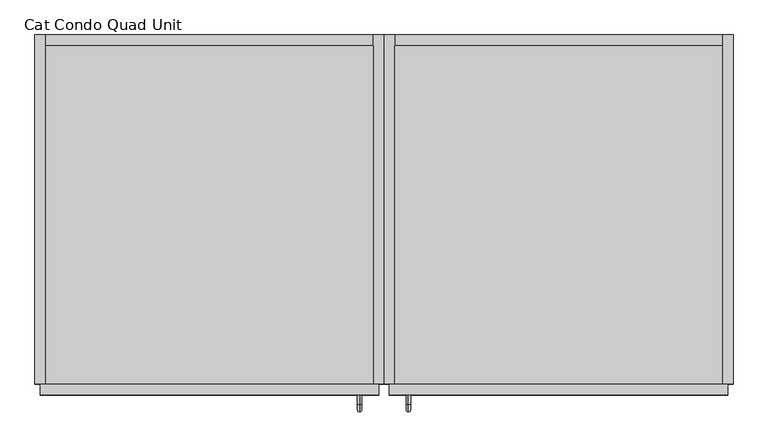
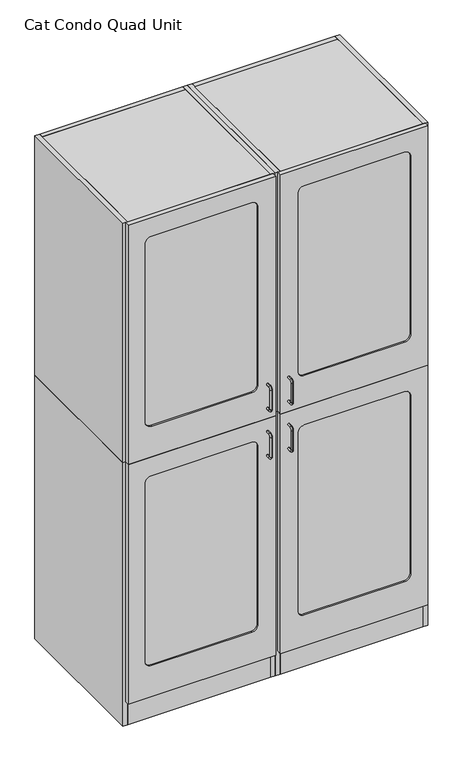
"""IFC4 building model written with IfcOpenShell, lengths in millimetres: proxy geometry, Cat Condo Quad Unit."""

from ifc_helpers import new_model, si_unit, point, frame, frame_2d, origin, origin_with_axes, place, context, project, spatial, polyline, circle_curve, ellipse_curve, trimmed, segment, composite_curve, outline, extrude, source, transform, mapped, element, save
from ifc_brep_helpers import plane_surface, cylinder_surface, revolved_surface, advanced_brep


def cat_condo_quad_unit_e11145c8(model_context):
    return source(origin(), model_context, "Body", "SolidModel", [
        advanced_brep(
        [(652.0871577, -19.05, 1056.5243154), (652.0871577, -19.05, 1064.3756846), (652.0871577, -35.2117768, 1056.5243154), (652.0871577, -35.2117768, 1064.3756846), (652.0871577, -35.2117768, 962.7756846), (652.0871577, -19.05, 962.7756846), (652.0871577, -19.05, 954.9243154), (652.0871577, -35.2117768, 954.9243154), (652.0871577, -48.3756846, 1051.2117768), (652.0871577, -40.5243154, 1051.2117768), (652.0871577, -48.3756846, 968.0882232), (652.0871577, -40.5243154, 968.0882232)],
        [
            (0, 1, circle_curve(frame((652.0871577, -19.05, 1060.45), z_axis=(0.0, 1.0, 0.0), x_axis=(0.0, 0.0, 1.0)), 3.9256846)),
            (1, 0, circle_curve(frame((652.0871577, -19.05, 1060.45), z_axis=(0.0, 1.0, 0.0), x_axis=(0.0, 0.0, 1.0)), 3.9256846)),
            (0, 2),
            (2, 3, circle_curve(frame((652.0871577, -35.2117768, 1060.45), z_axis=(0.0, 1.0, 0.0), x_axis=(0.0, 0.0, 1.0)), 3.9256846)),
            (3, 1),
            (4, 5),
            (5, 6, circle_curve(frame((652.0871577, -19.05, 958.85), z_axis=(0.0, -1.0, 0.0), x_axis=(0.0, 0.0, -1.0)), 3.9256846)),
            (6, 7),
            (7, 4, circle_curve(frame((652.0871577, -35.2117768, 958.85), z_axis=(0.0, 1.0, 0.0), x_axis=(0.0, 0.0, -1.0)), 3.9256846)),
            (3, 2, circle_curve(frame((652.0871577, -35.2117768, 1060.45), z_axis=(0.0, 1.0, 0.0), x_axis=(0.0, 0.0, 1.0)), 3.9256846)),
            (8, 9, circle_curve(frame((652.0871577, -44.45, 1051.2117768), z_axis=(0.0, 0.0, 1.0), x_axis=(0.0, -1.0, 0.0)), 3.9256846)),
            (9, 2, circle_curve(frame((652.0871577, -35.2117768, 1051.2117768), z_axis=(-1.0, 0.0, 0.0), x_axis=(0.0, 0.0, 1.0)), 5.3125387)),
            (3, 8, circle_curve(frame((652.0871577, -35.2117768, 1051.2117768), z_axis=(1.0, 0.0, 0.0), x_axis=(0.0, 0.0, 1.0)), 13.1639078)),
            (9, 8, circle_curve(frame((652.0871577, -44.45, 1051.2117768), z_axis=(0.0, 0.0, 1.0), x_axis=(0.0, -1.0, 0.0)), 3.9256846)),
            (8, 10),
            (10, 11, circle_curve(frame((652.0871577, -44.45, 968.0882232), z_axis=(0.0, 0.0, 1.0), x_axis=(0.0, -1.0, 0.0)), 3.9256846)),
            (11, 9),
            (11, 10, circle_curve(frame((652.0871577, -44.45, 968.0882232), z_axis=(0.0, 0.0, 1.0), x_axis=(0.0, -1.0, 0.0)), 3.9256846)),
            (7, 4, circle_curve(frame((652.0871577, -35.2117768, 958.85), z_axis=(0.0, -1.0, 0.0), x_axis=(0.0, 0.0, -1.0)), 3.9256846)),
            (4, 11, circle_curve(frame((652.0871577, -35.2117768, 968.0882232), z_axis=(-1.0, 0.0, 0.0), x_axis=(0.0, -1.0, 0.0)), 5.3125387)),
            (10, 7, circle_curve(frame((652.0871577, -35.2117768, 968.0882232), z_axis=(1.0, 0.0, 0.0), x_axis=(0.0, -1.0, 0.0)), 13.1639078)),
            (5, 6, circle_curve(frame((652.0871577, -19.05, 958.85), z_axis=(0.0, 1.0, 0.0), x_axis=(0.0, 0.0, -1.0)), 3.9256846)),
        ],
        [
            plane_surface(frame((652.0871577, -19.05, 1060.45), z_axis=(0.0, 1.0, 0.0), x_axis=(-1.0, 0.0, 0.0))),
            cylinder_surface(frame((652.0871577, -19.05, 1060.45), z_axis=(0.0, 1.0, 0.0), x_axis=(0.0, 0.0, 1.0)), 3.9256846),
            cylinder_surface(frame((652.0871577, -35.2117768, 958.85), z_axis=(0.0, -1.0, 0.0), x_axis=(0.0, 0.0, -1.0)), 3.9256846),
            revolved_surface(trimmed(ellipse_curve(frame((652.0871577, -35.2117768, 1060.45), z_axis=(0.0, -1.0, 0.0), x_axis=(0.0, 0.0, 1.0)), 3.9256846, 3.9256846), [point((652.0871577, -35.2117768, 1056.5243154))], [point((652.0871577, -35.2117768, 1064.3756846))], True, "CARTESIAN"), (652.0871577, -35.2117768, 1051.2117768), (-1.0, 0.0, 0.0)),
            revolved_surface(trimmed(ellipse_curve(frame((652.0871577, -35.2117768, 1060.45), z_axis=(0.0, -1.0, 0.0), x_axis=(0.0, 0.0, 1.0)), 3.9256846, 3.9256846), [point((652.0871577, -35.2117768, 1064.3756846))], [point((652.0871577, -35.2117768, 1056.5243154))], True, "CARTESIAN"), (652.0871577, -35.2117768, 1051.2117768), (-1.0, 0.0, 0.0)),
            cylinder_surface(frame((652.0871577, -44.45, 1051.2117768), z_axis=(0.0, 0.0, 1.0), x_axis=(0.0, -1.0, 0.0)), 3.9256846),
            revolved_surface(trimmed(ellipse_curve(frame((652.0871577, -44.45, 968.0882232), z_axis=(0.0, 0.0, -1.0), x_axis=(0.0, -1.0, 0.0)), 3.9256846, 3.9256846), [point((652.0871577, -40.5243154, 968.0882232))], [point((652.0871577, -48.3756846, 968.0882232))], True, "CARTESIAN"), (652.0871577, -35.2117768, 968.0882232), (-1.0, 0.0, 0.0)),
            revolved_surface(trimmed(ellipse_curve(frame((652.0871577, -44.45, 968.0882232), z_axis=(0.0, 0.0, -1.0), x_axis=(0.0, -1.0, 0.0)), 3.9256846, 3.9256846), [point((652.0871577, -48.3756846, 968.0882232))], [point((652.0871577, -40.5243154, 968.0882232))], True, "CARTESIAN"), (652.0871577, -35.2117768, 968.0882232), (-1.0, 0.0, 0.0)),
            plane_surface(frame((652.0871577, -19.05, 958.85), z_axis=(0.0, 1.0, 0.0), x_axis=(-1.0, 0.0, 0.0))),
        ],
        [
            (0, [[1, 2]]),
            (1, [[3, 4, 5, -1]]),
            (2, [[6, 7, 8, 9]]),
            (1, [[-5, 10, -3, -2]]),
            (3, [[11, 12, -10, 13]]),
            (4, [[14, -13, -4, -12]]),
            (5, [[15, 16, 17, -11]]),
            (5, [[-17, 18, -15, -14]]),
            (6, [[19, 20, -16, 21]]),
            (7, [[-9, -21, -18, -20]]),
            (8, [[22, -7]]),
            (2, [[-8, -22, -6, -19]]),
        ],
    ),
        extrude(outline(polyline([(628.65, 590.55), (1200.15, 590.55), (1200.15, 0.0), (628.65, 0.0), (628.65, 590.55)])), frame((0.0, 0.0, 1095.375), z_axis=(0.0, 0.0, 1.0), x_axis=(1.0, 0.0, 0.0)), (0.0, 0.0, 1.0), 19.05),
        extrude(outline(polyline([(628.65, 590.55), (1200.15, 590.55), (1200.15, 374.65), (628.65, 166.6410111), (628.65, 590.55)])), frame((0.0, 0.0, 711.2), z_axis=(0.0, 0.0, 1.0), x_axis=(1.0, 0.0, 0.0)), (0.0, 0.0, 1.0), 19.05),
        extrude(outline(composite_curve([segment(polyline([(996.95, 590.55), (1200.15, 590.55), (1200.15, 25.4), (1073.15, 25.4)]), True, "CONTINUOUS"), segment(trimmed(circle_curve(frame_2d((1073.15, 101.6)), 76.2), [point((1073.15, 25.4))], [point((996.95, 101.6))], False, "CARTESIAN"), True, "CONTINUOUS"), segment(polyline([(996.95, 101.6), (996.95, 590.55)]), True, "CONTINUOUS")], self_intersect=False)), frame((0.0, 0.0, 406.4), z_axis=(0.0, 0.0, 1.0), x_axis=(1.0, 0.0, 0.0)), (0.0, 0.0, 1.0), 19.05),
        extrude(outline(polyline([(628.65, 0.0), (628.65, 590.55), (1200.15, 590.55), (1200.15, 0.0), (628.65, 0.0)])), frame((0.0, 0.0, 101.6), z_axis=(0.0, 0.0, 1.0), x_axis=(1.0, 0.0, 0.0)), (0.0, 0.0, 1.0), 19.05),
        extrude(outline(polyline([(628.65, 19.05), (1200.15, 19.05), (1200.15, 0.0), (628.65, 0.0), (628.65, 19.05)])), origin_with_axes(), (0.0, 0.0, 1.0), 101.6),
        extrude(outline(polyline([(628.65, 609.6), (628.65, 0.0), (609.6, 0.0), (609.6, 609.6), (628.65, 609.6)])), origin_with_axes(), (0.0, 0.0, 1.0), 1114.425),
        extrude(outline(polyline([(628.65, 609.6), (1200.15, 609.6), (1200.15, 590.55), (628.65, 590.55), (628.65, 609.6)])), origin_with_axes(), (0.0, 0.0, 1.0), 1114.425),
        extrude(outline(polyline([(1200.15, 609.6), (1219.2, 609.6), (1219.2, 0.0), (1200.15, 0.0), (1200.15, 609.6)])), origin_with_axes(), (0.0, 0.0, 1.0), 1114.425),
        extrude(outline(composite_curve([segment(trimmed(circle_curve(frame_2d((1009.65, 715.16875)), 25.4), [point((1035.05, 715.16875))], [point((1009.65, 689.76875))], False, "CARTESIAN"), True, "CONTINUOUS"), segment(polyline([(1009.65, 689.76875), (257.175, 689.76875)]), True, "CONTINUOUS"), segment(trimmed(circle_curve(frame_2d((257.175, 715.16875)), 25.4), [point((257.175, 689.76875))], [point((231.775, 715.16875))], False, "CARTESIAN"), True, "CONTINUOUS"), segment(polyline([(231.775, 715.16875), (231.775, 1115.21875)]), True, "CONTINUOUS"), segment(trimmed(circle_curve(frame_2d((257.175, 1115.21875)), 25.4), [point((231.775, 1115.21875))], [point((257.175, 1140.61875))], False, "CARTESIAN"), True, "CONTINUOUS"), segment(polyline([(257.175, 1140.61875), (1009.65, 1140.61875)]), True, "CONTINUOUS"), segment(trimmed(circle_curve(frame_2d((1009.65, 1115.21875)), 25.4), [point((1009.65, 1140.61875))], [point((1035.05, 1115.21875))], False, "CARTESIAN"), True, "CONTINUOUS"), segment(polyline([(1035.05, 1115.21875), (1035.05, 715.16875)]), True, "CONTINUOUS")], self_intersect=False)), frame((0.0, -12.7, 0.0), z_axis=(0.0, 1.0, 0.0), x_axis=(0.0, 0.0, 1.0)), (0.0, 0.0, 1.0), 6.35),
        extrude(outline(polyline([(1114.425, 619.125), (101.6, 619.125), (101.6, 1209.675), (1114.425, 1209.675), (1114.425, 619.125)]), holes=[composite_curve([segment(trimmed(circle_curve(frame_2d((1009.65, 1115.21875)), 25.4), [point((1035.05, 1115.21875))], [point((1009.65, 1140.61875))], True, "CARTESIAN"), True, "CONTINUOUS"), segment(polyline([(1009.65, 1140.61875), (257.175, 1140.61875)]), True, "CONTINUOUS"), segment(trimmed(circle_curve(frame_2d((257.175, 1115.21875)), 25.4), [point((257.175, 1140.61875))], [point((231.775, 1115.21875))], True, "CARTESIAN"), True, "CONTINUOUS"), segment(polyline([(231.775, 1115.21875), (231.775, 715.16875)]), True, "CONTINUOUS"), segment(trimmed(circle_curve(frame_2d((257.175, 715.16875)), 25.4), [point((231.775, 715.16875))], [point((257.175, 689.76875))], True, "CARTESIAN"), True, "CONTINUOUS"), segment(polyline([(257.175, 689.76875), (1009.65, 689.76875)]), True, "CONTINUOUS"), segment(trimmed(circle_curve(frame_2d((1009.65, 715.16875)), 25.4), [point((1009.65, 689.76875))], [point((1035.05, 715.16875))], True, "CARTESIAN"), True, "CONTINUOUS"), segment(polyline([(1035.05, 715.16875), (1035.05, 1115.21875)]), True, "CONTINUOUS")], self_intersect=False)]), frame((0.0, -19.05, 0.0), z_axis=(0.0, 1.0, 0.0), x_axis=(0.0, 0.0, 1.0)), (0.0, 0.0, 1.0), 19.05),
        advanced_brep(
        [(652.0871577, -19.05, 1256.5493154), (652.0871577, -19.05, 1264.4006846), (652.0871577, -35.2117768, 1264.4006846), (652.0871577, -35.2117768, 1256.5493154), (652.0871577, -48.3756846, 1251.2367768), (652.0871577, -40.5243154, 1251.2367768), (652.0871577, -48.3756846, 1168.1132232), (652.0871577, -40.5243154, 1168.1132232), (652.0871577, -35.2117768, 1154.9493154), (652.0871577, -35.2117768, 1162.8006846), (652.0871577, -19.05, 1162.8006846), (652.0871577, -19.05, 1154.9493154)],
        [
            (0, 1, circle_curve(frame((652.0871577, -19.05, 1260.475), z_axis=(0.0, 1.0, 0.0), x_axis=(0.0, 0.0, 1.0)), 3.9256846)),
            (1, 0, circle_curve(frame((652.0871577, -19.05, 1260.475), z_axis=(0.0, 1.0, 0.0), x_axis=(0.0, 0.0, 1.0)), 3.9256846)),
            (1, 2),
            (2, 3, circle_curve(frame((652.0871577, -35.2117768, 1260.475), z_axis=(0.0, 1.0, 0.0), x_axis=(0.0, 0.0, 1.0)), 3.9256846)),
            (3, 0),
            (3, 2, circle_curve(frame((652.0871577, -35.2117768, 1260.475), z_axis=(0.0, 1.0, 0.0), x_axis=(0.0, 0.0, 1.0)), 3.9256846)),
            (4, 5, circle_curve(frame((652.0871577, -44.45, 1251.2367768), z_axis=(0.0, 0.0, 1.0), x_axis=(0.0, -1.0, 0.0)), 3.9256846)),
            (5, 3, circle_curve(frame((652.0871577, -35.2117768, 1251.2367768), z_axis=(-1.0, 0.0, 0.0), x_axis=(0.0, 0.0, 1.0)), 5.3125387)),
            (2, 4, circle_curve(frame((652.0871577, -35.2117768, 1251.2367768), z_axis=(1.0, 0.0, 0.0), x_axis=(0.0, 0.0, 1.0)), 13.1639078)),
            (5, 4, circle_curve(frame((652.0871577, -44.45, 1251.2367768), z_axis=(0.0, 0.0, 1.0), x_axis=(0.0, -1.0, 0.0)), 3.9256846)),
            (4, 6),
            (6, 7, circle_curve(frame((652.0871577, -44.45, 1168.1132232), z_axis=(0.0, 0.0, 1.0), x_axis=(0.0, -1.0, 0.0)), 3.9256846)),
            (7, 5),
            (7, 6, circle_curve(frame((652.0871577, -44.45, 1168.1132232), z_axis=(0.0, 0.0, 1.0), x_axis=(0.0, -1.0, 0.0)), 3.9256846)),
            (8, 9, circle_curve(frame((652.0871577, -35.2117768, 1158.875), z_axis=(0.0, -1.0, 0.0), x_axis=(0.0, 0.0, -1.0)), 3.9256846)),
            (9, 7, circle_curve(frame((652.0871577, -35.2117768, 1168.1132232), z_axis=(-1.0, 0.0, 0.0), x_axis=(0.0, -1.0, 0.0)), 5.3125387)),
            (6, 8, circle_curve(frame((652.0871577, -35.2117768, 1168.1132232), z_axis=(1.0, 0.0, 0.0), x_axis=(0.0, -1.0, 0.0)), 13.1639078)),
            (9, 8, circle_curve(frame((652.0871577, -35.2117768, 1158.875), z_axis=(0.0, -1.0, 0.0), x_axis=(0.0, 0.0, -1.0)), 3.9256846)),
            (10, 11, circle_curve(frame((652.0871577, -19.05, 1158.875), z_axis=(0.0, 1.0, 0.0), x_axis=(0.0, 0.0, -1.0)), 3.9256846)),
            (11, 10, circle_curve(frame((652.0871577, -19.05, 1158.875), z_axis=(0.0, 1.0, 0.0), x_axis=(0.0, 0.0, -1.0)), 3.9256846)),
            (8, 11),
            (10, 9),
        ],
        [
            plane_surface(frame((652.0871577, -19.05, 1260.475), z_axis=(0.0, 1.0, 0.0), x_axis=(-1.0, 0.0, 0.0))),
            cylinder_surface(frame((652.0871577, -19.05, 1260.475), z_axis=(0.0, 1.0, 0.0), x_axis=(0.0, 0.0, 1.0)), 3.9256846),
            revolved_surface(trimmed(ellipse_curve(frame((652.0871577, -35.2117768, 1260.475), z_axis=(0.0, -1.0, 0.0), x_axis=(0.0, 0.0, 1.0)), 3.9256846, 3.9256846), [point((652.0871577, -35.2117768, 1256.5493154))], [point((652.0871577, -35.2117768, 1264.4006846))], True, "CARTESIAN"), (652.0871577, -35.2117768, 1251.2367768), (-1.0, 0.0, 0.0)),
            revolved_surface(trimmed(ellipse_curve(frame((652.0871577, -35.2117768, 1260.475), z_axis=(0.0, -1.0, 0.0), x_axis=(0.0, 0.0, 1.0)), 3.9256846, 3.9256846), [point((652.0871577, -35.2117768, 1264.4006846))], [point((652.0871577, -35.2117768, 1256.5493154))], True, "CARTESIAN"), (652.0871577, -35.2117768, 1251.2367768), (-1.0, 0.0, 0.0)),
            cylinder_surface(frame((652.0871577, -44.45, 1251.2367768), z_axis=(0.0, 0.0, 1.0), x_axis=(0.0, -1.0, 0.0)), 3.9256846),
            revolved_surface(trimmed(ellipse_curve(frame((652.0871577, -44.45, 1168.1132232), z_axis=(0.0, 0.0, -1.0), x_axis=(0.0, -1.0, 0.0)), 3.9256846, 3.9256846), [point((652.0871577, -40.5243154, 1168.1132232))], [point((652.0871577, -48.3756846, 1168.1132232))], True, "CARTESIAN"), (652.0871577, -35.2117768, 1168.1132232), (-1.0, 0.0, 0.0)),
            revolved_surface(trimmed(ellipse_curve(frame((652.0871577, -44.45, 1168.1132232), z_axis=(0.0, 0.0, -1.0), x_axis=(0.0, -1.0, 0.0)), 3.9256846, 3.9256846), [point((652.0871577, -48.3756846, 1168.1132232))], [point((652.0871577, -40.5243154, 1168.1132232))], True, "CARTESIAN"), (652.0871577, -35.2117768, 1168.1132232), (-1.0, 0.0, 0.0)),
            plane_surface(frame((652.0871577, -19.05, 1158.875), z_axis=(0.0, 1.0, 0.0), x_axis=(-1.0, 0.0, 0.0))),
            cylinder_surface(frame((652.0871577, -35.2117768, 1158.875), z_axis=(0.0, -1.0, 0.0), x_axis=(0.0, 0.0, -1.0)), 3.9256846),
        ],
        [
            (0, [[1, 2]]),
            (1, [[3, 4, 5, -2]]),
            (1, [[-5, 6, -3, -1]]),
            (2, [[7, 8, -4, 9]]),
            (3, [[10, -9, -6, -8]]),
            (4, [[11, 12, 13, -7]]),
            (4, [[-13, 14, -11, -10]]),
            (5, [[15, 16, -12, 17]]),
            (6, [[18, -17, -14, -16]]),
            (7, [[19, 20]]),
            (8, [[21, -19, 22, -15]]),
            (8, [[-22, -20, -21, -18]]),
        ],
    ),
        extrude(outline(polyline([(628.65, 590.55), (1200.15, 590.55), (1200.15, 0.0), (628.65, 0.0), (628.65, 590.55)])), frame((0.0, 0.0, 2108.2), z_axis=(0.0, 0.0, 1.0), x_axis=(1.0, 0.0, 0.0)), (0.0, 0.0, 1.0), 19.05),
        extrude(outline(polyline([(628.65, 590.55), (1200.15, 590.55), (1200.15, 374.65), (628.65, 166.6410111), (628.65, 590.55)])), frame((0.0, 0.0, 1724.025), z_axis=(0.0, 0.0, 1.0), x_axis=(1.0, 0.0, 0.0)), (0.0, 0.0, 1.0), 19.05),
        extrude(outline(composite_curve([segment(polyline([(996.95, 590.55), (1200.15, 590.55), (1200.15, 25.4), (1073.15, 25.4)]), True, "CONTINUOUS"), segment(trimmed(circle_curve(frame_2d((1073.15, 101.6)), 76.2), [point((1073.15, 25.4))], [point((996.95, 101.6))], False, "CARTESIAN"), True, "CONTINUOUS"), segment(polyline([(996.95, 101.6), (996.95, 590.55)]), True, "CONTINUOUS")], self_intersect=False)), frame((0.0, 0.0, 1419.225), z_axis=(0.0, 0.0, 1.0), x_axis=(1.0, 0.0, 0.0)), (0.0, 0.0, 1.0), 19.05),
        extrude(outline(polyline([(628.65, 0.0), (628.65, 590.55), (1200.15, 590.55), (1200.15, 0.0), (628.65, 0.0)])), frame((0.0, 0.0, 1114.425), z_axis=(0.0, 0.0, 1.0), x_axis=(1.0, 0.0, 0.0)), (0.0, 0.0, 1.0), 19.05),
        extrude(outline(polyline([(628.65, 609.6), (628.65, 0.0), (609.6, 0.0), (609.6, 609.6), (628.65, 609.6)])), frame((0.0, 0.0, 1114.425), z_axis=(0.0, 0.0, 1.0), x_axis=(1.0, 0.0, 0.0)), (0.0, 0.0, 1.0), 1012.825),
        extrude(outline(polyline([(628.65, 609.6), (1200.15, 609.6), (1200.15, 590.55), (628.65, 590.55), (628.65, 609.6)])), frame((0.0, 0.0, 1114.425), z_axis=(0.0, 0.0, 1.0), x_axis=(1.0, 0.0, 0.0)), (0.0, 0.0, 1.0), 1012.825),
        extrude(outline(polyline([(1200.15, 609.6), (1219.2, 609.6), (1219.2, 0.0), (1200.15, 0.0), (1200.15, 609.6)])), frame((0.0, 0.0, 1114.425), z_axis=(0.0, 0.0, 1.0), x_axis=(1.0, 0.0, 0.0)), (0.0, 0.0, 1.0), 1012.825),
        extrude(outline(composite_curve([segment(trimmed(circle_curve(frame_2d((2022.475, 715.16875)), 25.4), [point((2047.875, 715.16875))], [point((2022.475, 689.76875))], False, "CARTESIAN"), True, "CONTINUOUS"), segment(polyline([(2022.475, 689.76875), (1270.0, 689.76875)]), True, "CONTINUOUS"), segment(trimmed(circle_curve(frame_2d((1270.0, 715.16875)), 25.4), [point((1270.0, 689.76875))], [point((1244.6, 715.16875))], False, "CARTESIAN"), True, "CONTINUOUS"), segment(polyline([(1244.6, 715.16875), (1244.6, 1115.21875)]), True, "CONTINUOUS"), segment(trimmed(circle_curve(frame_2d((1270.0, 1115.21875)), 25.4), [point((1244.6, 1115.21875))], [point((1270.0, 1140.61875))], False, "CARTESIAN"), True, "CONTINUOUS"), segment(polyline([(1270.0, 1140.61875), (2022.475, 1140.61875)]), True, "CONTINUOUS"), segment(trimmed(circle_curve(frame_2d((2022.475, 1115.21875)), 25.4), [point((2022.475, 1140.61875))], [point((2047.875, 1115.21875))], False, "CARTESIAN"), True, "CONTINUOUS"), segment(polyline([(2047.875, 1115.21875), (2047.875, 715.16875)]), True, "CONTINUOUS")], self_intersect=False)), frame((0.0, -12.7, 0.0), z_axis=(0.0, 1.0, 0.0), x_axis=(0.0, 0.0, 1.0)), (0.0, 0.0, 1.0), 6.35),
        extrude(outline(polyline([(2127.25, 619.125), (1114.425, 619.125), (1114.425, 1209.675), (2127.25, 1209.675), (2127.25, 619.125)]), holes=[composite_curve([segment(trimmed(circle_curve(frame_2d((2022.475, 1115.21875)), 25.4), [point((2047.875, 1115.21875))], [point((2022.475, 1140.61875))], True, "CARTESIAN"), True, "CONTINUOUS"), segment(polyline([(2022.475, 1140.61875), (1270.0, 1140.61875)]), True, "CONTINUOUS"), segment(trimmed(circle_curve(frame_2d((1270.0, 1115.21875)), 25.4), [point((1270.0, 1140.61875))], [point((1244.6, 1115.21875))], True, "CARTESIAN"), True, "CONTINUOUS"), segment(polyline([(1244.6, 1115.21875), (1244.6, 715.16875)]), True, "CONTINUOUS"), segment(trimmed(circle_curve(frame_2d((1270.0, 715.16875)), 25.4), [point((1244.6, 715.16875))], [point((1270.0, 689.76875))], True, "CARTESIAN"), True, "CONTINUOUS"), segment(polyline([(1270.0, 689.76875), (2022.475, 689.76875)]), True, "CONTINUOUS"), segment(trimmed(circle_curve(frame_2d((2022.475, 715.16875)), 25.4), [point((2022.475, 689.76875))], [point((2047.875, 715.16875))], True, "CARTESIAN"), True, "CONTINUOUS"), segment(polyline([(2047.875, 715.16875), (2047.875, 1115.21875)]), True, "CONTINUOUS")], self_intersect=False)]), frame((0.0, -19.05, 0.0), z_axis=(0.0, 1.0, 0.0), x_axis=(0.0, 0.0, 1.0)), (0.0, 0.0, 1.0), 19.05),
        advanced_brep(
        [(567.1128423, -19.05, 1056.5243154), (567.1128423, -19.05, 1064.3756846), (567.1128423, -35.2117768, 1064.3756846), (567.1128423, -35.2117768, 1056.5243154), (567.1128423, -35.2117768, 962.7756846), (567.1128423, -35.2117768, 954.9243154), (567.1128423, -19.05, 954.9243154), (567.1128423, -19.05, 962.7756846), (567.1128423, -48.3756846, 1051.2117768), (567.1128423, -40.5243154, 1051.2117768), (567.1128423, -40.5243154, 968.0882232), (567.1128423, -48.3756846, 968.0882232)],
        [
            (0, 1, circle_curve(frame((567.1128423, -19.05, 1060.45), z_axis=(0.0, 1.0, 0.0), x_axis=(0.0, 0.0, 1.0)), 3.9256846)),
            (1, 0, circle_curve(frame((567.1128423, -19.05, 1060.45), z_axis=(0.0, 1.0, 0.0), x_axis=(0.0, 0.0, 1.0)), 3.9256846)),
            (1, 2),
            (2, 3, circle_curve(frame((567.1128423, -35.2117768, 1060.45), z_axis=(0.0, 1.0, 0.0), x_axis=(0.0, 0.0, 1.0)), 3.9256846)),
            (3, 0),
            (4, 5, circle_curve(frame((567.1128423, -35.2117768, 958.85), z_axis=(0.0, 1.0, 0.0), x_axis=(0.0, 0.0, -1.0)), 3.9256846)),
            (5, 6),
            (6, 7, circle_curve(frame((567.1128423, -19.05, 958.85), z_axis=(0.0, -1.0, 0.0), x_axis=(0.0, 0.0, -1.0)), 3.9256846)),
            (7, 4),
            (3, 2, circle_curve(frame((567.1128423, -35.2117768, 1060.45), z_axis=(0.0, 1.0, 0.0), x_axis=(0.0, 0.0, 1.0)), 3.9256846)),
            (8, 2, circle_curve(frame((567.1128423, -35.2117768, 1051.2117768), z_axis=(-1.0, 0.0, 0.0), x_axis=(0.0, 0.0, 1.0)), 13.1639078)),
            (3, 9, circle_curve(frame((567.1128423, -35.2117768, 1051.2117768), z_axis=(1.0, 0.0, 0.0), x_axis=(0.0, 0.0, 1.0)), 5.3125387)),
            (9, 8, circle_curve(frame((567.1128423, -44.45, 1051.2117768), z_axis=(0.0, 0.0, 1.0), x_axis=(0.0, -1.0, 0.0)), 3.9256846)),
            (8, 9, circle_curve(frame((567.1128423, -44.45, 1051.2117768), z_axis=(0.0, 0.0, 1.0), x_axis=(0.0, -1.0, 0.0)), 3.9256846)),
            (9, 10),
            (10, 11, circle_curve(frame((567.1128423, -44.45, 968.0882232), z_axis=(0.0, 0.0, 1.0), x_axis=(0.0, -1.0, 0.0)), 3.9256846)),
            (11, 8),
            (11, 10, circle_curve(frame((567.1128423, -44.45, 968.0882232), z_axis=(0.0, 0.0, 1.0), x_axis=(0.0, -1.0, 0.0)), 3.9256846)),
            (5, 11, circle_curve(frame((567.1128423, -35.2117768, 968.0882232), z_axis=(-1.0, 0.0, 0.0), x_axis=(0.0, -1.0, 0.0)), 13.1639078)),
            (10, 4, circle_curve(frame((567.1128423, -35.2117768, 968.0882232), z_axis=(1.0, 0.0, 0.0), x_axis=(0.0, -1.0, 0.0)), 5.3125387)),
            (4, 5, circle_curve(frame((567.1128423, -35.2117768, 958.85), z_axis=(0.0, -1.0, 0.0), x_axis=(0.0, 0.0, -1.0)), 3.9256846)),
            (6, 7, circle_curve(frame((567.1128423, -19.05, 958.85), z_axis=(0.0, 1.0, 0.0), x_axis=(0.0, 0.0, -1.0)), 3.9256846)),
        ],
        [
            plane_surface(frame((567.1128423, -19.05, 1060.45), z_axis=(0.0, 1.0, 0.0), x_axis=(1.0, 0.0, 0.0))),
            cylinder_surface(frame((567.1128423, -19.05, 1060.45), z_axis=(0.0, 1.0, 0.0), x_axis=(0.0, 0.0, 1.0)), 3.9256846),
            cylinder_surface(frame((567.1128423, -35.2117768, 958.85), z_axis=(0.0, -1.0, 0.0), x_axis=(0.0, 0.0, -1.0)), 3.9256846),
            revolved_surface(trimmed(ellipse_curve(frame((567.1128423, -35.2117768, 1060.45), z_axis=(0.0, 1.0, 0.0), x_axis=(0.0, 0.0, 1.0)), 3.9256846, 3.9256846), [point((567.1128423, -35.2117768, 1056.5243154))], [point((567.1128423, -35.2117768, 1064.3756846))], True, "CARTESIAN"), (567.1128423, -35.2117768, 1051.2117768), (1.0, 0.0, 0.0)),
            revolved_surface(trimmed(ellipse_curve(frame((567.1128423, -35.2117768, 1060.45), z_axis=(0.0, 1.0, 0.0), x_axis=(0.0, 0.0, 1.0)), 3.9256846, 3.9256846), [point((567.1128423, -35.2117768, 1064.3756846))], [point((567.1128423, -35.2117768, 1056.5243154))], True, "CARTESIAN"), (567.1128423, -35.2117768, 1051.2117768), (1.0, 0.0, 0.0)),
            cylinder_surface(frame((567.1128423, -44.45, 1051.2117768), z_axis=(0.0, 0.0, 1.0), x_axis=(0.0, -1.0, 0.0)), 3.9256846),
            revolved_surface(trimmed(ellipse_curve(frame((567.1128423, -44.45, 968.0882232), z_axis=(0.0, 0.0, 1.0), x_axis=(0.0, -1.0, 0.0)), 3.9256846, 3.9256846), [point((567.1128423, -40.5243154, 968.0882232))], [point((567.1128423, -48.3756846, 968.0882232))], True, "CARTESIAN"), (567.1128423, -35.2117768, 968.0882232), (1.0, 0.0, 0.0)),
            revolved_surface(trimmed(ellipse_curve(frame((567.1128423, -44.45, 968.0882232), z_axis=(0.0, 0.0, 1.0), x_axis=(0.0, -1.0, 0.0)), 3.9256846, 3.9256846), [point((567.1128423, -48.3756846, 968.0882232))], [point((567.1128423, -40.5243154, 968.0882232))], True, "CARTESIAN"), (567.1128423, -35.2117768, 968.0882232), (1.0, 0.0, 0.0)),
            plane_surface(frame((567.1128423, -19.05, 958.85), z_axis=(0.0, 1.0, 0.0), x_axis=(1.0, 0.0, 0.0))),
        ],
        [
            (0, [[1, 2]]),
            (1, [[-2, 3, 4, 5]]),
            (2, [[6, 7, 8, 9]]),
            (1, [[-1, -5, 10, -3]]),
            (3, [[11, -10, 12, 13]]),
            (4, [[-12, -4, -11, 14]]),
            (5, [[-13, 15, 16, 17]]),
            (5, [[-14, -17, 18, -15]]),
            (6, [[19, -16, 20, 21]]),
            (7, [[-20, -18, -19, -6]]),
            (8, [[-8, 22]]),
            (2, [[-21, -9, -22, -7]]),
        ],
    ),
        extrude(outline(polyline([(590.55, 590.55), (590.55, 0.0), (19.05, 0.0), (19.05, 590.55), (590.55, 590.55)])), frame((0.0, 0.0, 1095.375), z_axis=(0.0, 0.0, 1.0), x_axis=(1.0, 0.0, 0.0)), (0.0, 0.0, 1.0), 19.05),
        extrude(outline(polyline([(590.55, 590.55), (590.55, 166.6410111), (19.05, 374.65), (19.05, 590.55), (590.55, 590.55)])), frame((0.0, 0.0, 711.2), z_axis=(0.0, 0.0, 1.0), x_axis=(1.0, 0.0, 0.0)), (0.0, 0.0, 1.0), 19.05),
        extrude(outline(composite_curve([segment(polyline([(222.25, 590.55), (222.25, 101.6)]), True, "CONTINUOUS"), segment(trimmed(circle_curve(frame_2d((146.05, 101.6)), 76.2), [point((222.25, 101.6))], [point((146.05, 25.4))], False, "CARTESIAN"), True, "CONTINUOUS"), segment(polyline([(146.05, 25.4), (19.05, 25.4), (19.05, 590.55), (222.25, 590.55)]), True, "CONTINUOUS")], self_intersect=False)), frame((0.0, 0.0, 406.4), z_axis=(0.0, 0.0, 1.0), x_axis=(1.0, 0.0, 0.0)), (0.0, 0.0, 1.0), 19.05),
        extrude(outline(polyline([(590.55, 0.0), (19.05, 0.0), (19.05, 590.55), (590.55, 590.55), (590.55, 0.0)])), frame((0.0, 0.0, 101.6), z_axis=(0.0, 0.0, 1.0), x_axis=(1.0, 0.0, 0.0)), (0.0, 0.0, 1.0), 19.05),
        extrude(outline(polyline([(590.55, 19.05), (590.55, 0.0), (19.05, 0.0), (19.05, 19.05), (590.55, 19.05)])), origin_with_axes(), (0.0, 0.0, 1.0), 101.6),
        extrude(outline(polyline([(590.55, 609.6), (609.6, 609.6), (609.6, 0.0), (590.55, 0.0), (590.55, 609.6)])), origin_with_axes(), (0.0, 0.0, 1.0), 1114.425),
        extrude(outline(polyline([(590.55, 609.6), (590.55, 590.55), (19.05, 590.55), (19.05, 609.6), (590.55, 609.6)])), origin_with_axes(), (0.0, 0.0, 1.0), 1114.425),
        extrude(outline(polyline([(19.05, 609.6), (19.05, 0.0), (0.0, 0.0), (0.0, 609.6), (19.05, 609.6)])), origin_with_axes(), (0.0, 0.0, 1.0), 1114.425),
        extrude(outline(composite_curve([segment(polyline([(1035.05, 504.03125), (1035.05, 103.98125)]), True, "CONTINUOUS"), segment(trimmed(circle_curve(frame_2d((1009.65, 103.98125)), 25.4), [point((1035.05, 103.98125))], [point((1009.65, 78.58125))], False, "CARTESIAN"), True, "CONTINUOUS"), segment(polyline([(1009.65, 78.58125), (257.175, 78.58125)]), True, "CONTINUOUS"), segment(trimmed(circle_curve(frame_2d((257.175, 103.98125)), 25.4), [point((257.175, 78.58125))], [point((231.775, 103.98125))], False, "CARTESIAN"), True, "CONTINUOUS"), segment(polyline([(231.775, 103.98125), (231.775, 504.03125)]), True, "CONTINUOUS"), segment(trimmed(circle_curve(frame_2d((257.175, 504.03125)), 25.4), [point((231.775, 504.03125))], [point((257.175, 529.43125))], False, "CARTESIAN"), True, "CONTINUOUS"), segment(polyline([(257.175, 529.43125), (1009.65, 529.43125)]), True, "CONTINUOUS"), segment(trimmed(circle_curve(frame_2d((1009.65, 504.03125)), 25.4), [point((1009.65, 529.43125))], [point((1035.05, 504.03125))], False, "CARTESIAN"), True, "CONTINUOUS")], self_intersect=False)), frame((0.0, -12.7, 0.0), z_axis=(0.0, 1.0, 0.0), x_axis=(0.0, 0.0, 1.0)), (0.0, 0.0, 1.0), 6.35),
        extrude(outline(polyline([(1114.425, 600.075), (1114.425, 9.525), (101.6, 9.525), (101.6, 600.075), (1114.425, 600.075)]), holes=[composite_curve([segment(polyline([(1035.05, 103.98125), (1035.05, 504.03125)]), True, "CONTINUOUS"), segment(trimmed(circle_curve(frame_2d((1009.65, 504.03125)), 25.4), [point((1035.05, 504.03125))], [point((1009.65, 529.43125))], True, "CARTESIAN"), True, "CONTINUOUS"), segment(polyline([(1009.65, 529.43125), (257.175, 529.43125)]), True, "CONTINUOUS"), segment(trimmed(circle_curve(frame_2d((257.175, 504.03125)), 25.4), [point((257.175, 529.43125))], [point((231.775, 504.03125))], True, "CARTESIAN"), True, "CONTINUOUS"), segment(polyline([(231.775, 504.03125), (231.775, 103.98125)]), True, "CONTINUOUS"), segment(trimmed(circle_curve(frame_2d((257.175, 103.98125)), 25.4), [point((231.775, 103.98125))], [point((257.175, 78.58125))], True, "CARTESIAN"), True, "CONTINUOUS"), segment(polyline([(257.175, 78.58125), (1009.65, 78.58125)]), True, "CONTINUOUS"), segment(trimmed(circle_curve(frame_2d((1009.65, 103.98125)), 25.4), [point((1009.65, 78.58125))], [point((1035.05, 103.98125))], True, "CARTESIAN"), True, "CONTINUOUS")], self_intersect=False)]), frame((0.0, -19.05, 0.0), z_axis=(0.0, 1.0, 0.0), x_axis=(0.0, 0.0, 1.0)), (0.0, 0.0, 1.0), 19.05),
        advanced_brep(
        [(567.1128423, -19.05, 1256.5493154), (567.1128423, -19.05, 1264.4006846), (567.1128423, -35.2117768, 1256.5493154), (567.1128423, -35.2117768, 1264.4006846), (567.1128423, -48.3756846, 1251.2367768), (567.1128423, -40.5243154, 1251.2367768), (567.1128423, -40.5243154, 1168.1132232), (567.1128423, -48.3756846, 1168.1132232), (567.1128423, -35.2117768, 1154.9493154), (567.1128423, -35.2117768, 1162.8006846), (567.1128423, -19.05, 1162.8006846), (567.1128423, -19.05, 1154.9493154)],
        [
            (0, 1, circle_curve(frame((567.1128423, -19.05, 1260.475), z_axis=(0.0, 1.0, 0.0), x_axis=(0.0, 0.0, 1.0)), 3.9256846)),
            (1, 0, circle_curve(frame((567.1128423, -19.05, 1260.475), z_axis=(0.0, 1.0, 0.0), x_axis=(0.0, 0.0, 1.0)), 3.9256846)),
            (0, 2),
            (2, 3, circle_curve(frame((567.1128423, -35.2117768, 1260.475), z_axis=(0.0, 1.0, 0.0), x_axis=(0.0, 0.0, 1.0)), 3.9256846)),
            (3, 1),
            (3, 2, circle_curve(frame((567.1128423, -35.2117768, 1260.475), z_axis=(0.0, 1.0, 0.0), x_axis=(0.0, 0.0, 1.0)), 3.9256846)),
            (4, 3, circle_curve(frame((567.1128423, -35.2117768, 1251.2367768), z_axis=(-1.0, 0.0, 0.0), x_axis=(0.0, 0.0, 1.0)), 13.1639078)),
            (2, 5, circle_curve(frame((567.1128423, -35.2117768, 1251.2367768), z_axis=(1.0, 0.0, 0.0), x_axis=(0.0, 0.0, 1.0)), 5.3125387)),
            (5, 4, circle_curve(frame((567.1128423, -44.45, 1251.2367768), z_axis=(0.0, 0.0, 1.0), x_axis=(0.0, -1.0, 0.0)), 3.9256846)),
            (4, 5, circle_curve(frame((567.1128423, -44.45, 1251.2367768), z_axis=(0.0, 0.0, 1.0), x_axis=(0.0, -1.0, 0.0)), 3.9256846)),
            (5, 6),
            (6, 7, circle_curve(frame((567.1128423, -44.45, 1168.1132232), z_axis=(0.0, 0.0, 1.0), x_axis=(0.0, -1.0, 0.0)), 3.9256846)),
            (7, 4),
            (7, 6, circle_curve(frame((567.1128423, -44.45, 1168.1132232), z_axis=(0.0, 0.0, 1.0), x_axis=(0.0, -1.0, 0.0)), 3.9256846)),
            (8, 7, circle_curve(frame((567.1128423, -35.2117768, 1168.1132232), z_axis=(-1.0, 0.0, 0.0), x_axis=(0.0, -1.0, 0.0)), 13.1639078)),
            (6, 9, circle_curve(frame((567.1128423, -35.2117768, 1168.1132232), z_axis=(1.0, 0.0, 0.0), x_axis=(0.0, -1.0, 0.0)), 5.3125387)),
            (9, 8, circle_curve(frame((567.1128423, -35.2117768, 1158.875), z_axis=(0.0, -1.0, 0.0), x_axis=(0.0, 0.0, -1.0)), 3.9256846)),
            (8, 9, circle_curve(frame((567.1128423, -35.2117768, 1158.875), z_axis=(0.0, -1.0, 0.0), x_axis=(0.0, 0.0, -1.0)), 3.9256846)),
            (10, 11, circle_curve(frame((567.1128423, -19.05, 1158.875), z_axis=(0.0, 1.0, 0.0), x_axis=(0.0, 0.0, -1.0)), 3.9256846)),
            (11, 10, circle_curve(frame((567.1128423, -19.05, 1158.875), z_axis=(0.0, 1.0, 0.0), x_axis=(0.0, 0.0, -1.0)), 3.9256846)),
            (9, 10),
            (11, 8),
        ],
        [
            plane_surface(frame((567.1128423, -19.05, 1260.475), z_axis=(0.0, 1.0, 0.0), x_axis=(1.0, 0.0, 0.0))),
            cylinder_surface(frame((567.1128423, -19.05, 1260.475), z_axis=(0.0, 1.0, 0.0), x_axis=(0.0, 0.0, 1.0)), 3.9256846),
            revolved_surface(trimmed(ellipse_curve(frame((567.1128423, -35.2117768, 1260.475), z_axis=(0.0, 1.0, 0.0), x_axis=(0.0, 0.0, 1.0)), 3.9256846, 3.9256846), [point((567.1128423, -35.2117768, 1256.5493154))], [point((567.1128423, -35.2117768, 1264.4006846))], True, "CARTESIAN"), (567.1128423, -35.2117768, 1251.2367768), (1.0, 0.0, 0.0)),
            revolved_surface(trimmed(ellipse_curve(frame((567.1128423, -35.2117768, 1260.475), z_axis=(0.0, 1.0, 0.0), x_axis=(0.0, 0.0, 1.0)), 3.9256846, 3.9256846), [point((567.1128423, -35.2117768, 1264.4006846))], [point((567.1128423, -35.2117768, 1256.5493154))], True, "CARTESIAN"), (567.1128423, -35.2117768, 1251.2367768), (1.0, 0.0, 0.0)),
            cylinder_surface(frame((567.1128423, -44.45, 1251.2367768), z_axis=(0.0, 0.0, 1.0), x_axis=(0.0, -1.0, 0.0)), 3.9256846),
            revolved_surface(trimmed(ellipse_curve(frame((567.1128423, -44.45, 1168.1132232), z_axis=(0.0, 0.0, 1.0), x_axis=(0.0, -1.0, 0.0)), 3.9256846, 3.9256846), [point((567.1128423, -40.5243154, 1168.1132232))], [point((567.1128423, -48.3756846, 1168.1132232))], True, "CARTESIAN"), (567.1128423, -35.2117768, 1168.1132232), (1.0, 0.0, 0.0)),
            revolved_surface(trimmed(ellipse_curve(frame((567.1128423, -44.45, 1168.1132232), z_axis=(0.0, 0.0, 1.0), x_axis=(0.0, -1.0, 0.0)), 3.9256846, 3.9256846), [point((567.1128423, -48.3756846, 1168.1132232))], [point((567.1128423, -40.5243154, 1168.1132232))], True, "CARTESIAN"), (567.1128423, -35.2117768, 1168.1132232), (1.0, 0.0, 0.0)),
            plane_surface(frame((567.1128423, -19.05, 1158.875), z_axis=(0.0, 1.0, 0.0), x_axis=(1.0, 0.0, 0.0))),
            cylinder_surface(frame((567.1128423, -35.2117768, 1158.875), z_axis=(0.0, -1.0, 0.0), x_axis=(0.0, 0.0, -1.0)), 3.9256846),
        ],
        [
            (0, [[1, 2]]),
            (1, [[-1, 3, 4, 5]]),
            (1, [[-2, -5, 6, -3]]),
            (2, [[7, -4, 8, 9]]),
            (3, [[-8, -6, -7, 10]]),
            (4, [[-9, 11, 12, 13]]),
            (4, [[-10, -13, 14, -11]]),
            (5, [[15, -12, 16, 17]]),
            (6, [[-16, -14, -15, 18]]),
            (7, [[19, 20]]),
            (8, [[-17, 21, -20, 22]]),
            (8, [[-18, -22, -19, -21]]),
        ],
    ),
        extrude(outline(polyline([(590.55, 590.55), (590.55, 0.0), (19.05, 0.0), (19.05, 590.55), (590.55, 590.55)])), frame((0.0, 0.0, 2108.2), z_axis=(0.0, 0.0, 1.0), x_axis=(1.0, 0.0, 0.0)), (0.0, 0.0, 1.0), 19.05),
        extrude(outline(polyline([(590.55, 590.55), (590.55, 166.6410111), (19.05, 374.65), (19.05, 590.55), (590.55, 590.55)])), frame((0.0, 0.0, 1724.025), z_axis=(0.0, 0.0, 1.0), x_axis=(1.0, 0.0, 0.0)), (0.0, 0.0, 1.0), 19.05),
        extrude(outline(composite_curve([segment(polyline([(222.25, 590.55), (222.25, 101.6)]), True, "CONTINUOUS"), segment(trimmed(circle_curve(frame_2d((146.05, 101.6)), 76.2), [point((222.25, 101.6))], [point((146.05, 25.4))], False, "CARTESIAN"), True, "CONTINUOUS"), segment(polyline([(146.05, 25.4), (19.05, 25.4), (19.05, 590.55), (222.25, 590.55)]), True, "CONTINUOUS")], self_intersect=False)), frame((0.0, 0.0, 1419.225), z_axis=(0.0, 0.0, 1.0), x_axis=(1.0, 0.0, 0.0)), (0.0, 0.0, 1.0), 19.05),
        extrude(outline(polyline([(590.55, 0.0), (19.05, 0.0), (19.05, 590.55), (590.55, 590.55), (590.55, 0.0)])), frame((0.0, 0.0, 1114.425), z_axis=(0.0, 0.0, 1.0), x_axis=(1.0, 0.0, 0.0)), (0.0, 0.0, 1.0), 19.05),
        extrude(outline(polyline([(590.55, 609.6), (609.6, 609.6), (609.6, 0.0), (590.55, 0.0), (590.55, 609.6)])), frame((0.0, 0.0, 1114.425), z_axis=(0.0, 0.0, 1.0), x_axis=(1.0, 0.0, 0.0)), (0.0, 0.0, 1.0), 1012.825),
        extrude(outline(polyline([(590.55, 609.6), (590.55, 590.55), (19.05, 590.55), (19.05, 609.6), (590.55, 609.6)])), frame((0.0, 0.0, 1114.425), z_axis=(0.0, 0.0, 1.0), x_axis=(1.0, 0.0, 0.0)), (0.0, 0.0, 1.0), 1012.825),
        extrude(outline(polyline([(19.05, 609.6), (19.05, 0.0), (0.0, 0.0), (0.0, 609.6), (19.05, 609.6)])), frame((0.0, 0.0, 1114.425), z_axis=(0.0, 0.0, 1.0), x_axis=(1.0, 0.0, 0.0)), (0.0, 0.0, 1.0), 1012.825),
        extrude(outline(composite_curve([segment(polyline([(2047.875, 504.03125), (2047.875, 103.98125)]), True, "CONTINUOUS"), segment(trimmed(circle_curve(frame_2d((2022.475, 103.98125)), 25.4), [point((2047.875, 103.98125))], [point((2022.475, 78.58125))], False, "CARTESIAN"), True, "CONTINUOUS"), segment(polyline([(2022.475, 78.58125), (1270.0, 78.58125)]), True, "CONTINUOUS"), segment(trimmed(circle_curve(frame_2d((1270.0, 103.98125)), 25.4), [point((1270.0, 78.58125))], [point((1244.6, 103.98125))], False, "CARTESIAN"), True, "CONTINUOUS"), segment(polyline([(1244.6, 103.98125), (1244.6, 504.03125)]), True, "CONTINUOUS"), segment(trimmed(circle_curve(frame_2d((1270.0, 504.03125)), 25.4), [point((1244.6, 504.03125))], [point((1270.0, 529.43125))], False, "CARTESIAN"), True, "CONTINUOUS"), segment(polyline([(1270.0, 529.43125), (2022.475, 529.43125)]), True, "CONTINUOUS"), segment(trimmed(circle_curve(frame_2d((2022.475, 504.03125)), 25.4), [point((2022.475, 529.43125))], [point((2047.875, 504.03125))], False, "CARTESIAN"), True, "CONTINUOUS")], self_intersect=False)), frame((0.0, -12.7, 0.0), z_axis=(0.0, 1.0, 0.0), x_axis=(0.0, 0.0, 1.0)), (0.0, 0.0, 1.0), 6.35),
        extrude(outline(polyline([(2127.25, 600.075), (2127.25, 9.525), (1114.425, 9.525), (1114.425, 600.075), (2127.25, 600.075)]), holes=[composite_curve([segment(polyline([(2047.875, 103.98125), (2047.875, 504.03125)]), True, "CONTINUOUS"), segment(trimmed(circle_curve(frame_2d((2022.475, 504.03125)), 25.4), [point((2047.875, 504.03125))], [point((2022.475, 529.43125))], True, "CARTESIAN"), True, "CONTINUOUS"), segment(polyline([(2022.475, 529.43125), (1270.0, 529.43125)]), True, "CONTINUOUS"), segment(trimmed(circle_curve(frame_2d((1270.0, 504.03125)), 25.4), [point((1270.0, 529.43125))], [point((1244.6, 504.03125))], True, "CARTESIAN"), True, "CONTINUOUS"), segment(polyline([(1244.6, 504.03125), (1244.6, 103.98125)]), True, "CONTINUOUS"), segment(trimmed(circle_curve(frame_2d((1270.0, 103.98125)), 25.4), [point((1244.6, 103.98125))], [point((1270.0, 78.58125))], True, "CARTESIAN"), True, "CONTINUOUS"), segment(polyline([(1270.0, 78.58125), (2022.475, 78.58125)]), True, "CONTINUOUS"), segment(trimmed(circle_curve(frame_2d((2022.475, 103.98125)), 25.4), [point((2022.475, 78.58125))], [point((2047.875, 103.98125))], True, "CARTESIAN"), True, "CONTINUOUS")], self_intersect=False)]), frame((0.0, -19.05, 0.0), z_axis=(0.0, 1.0, 0.0), x_axis=(0.0, 0.0, 1.0)), (0.0, 0.0, 1.0), 19.05),
    ])


if __name__ == "__main__":
    model = new_model("IFC4")
    model_context = context("Model", 3, world=origin())
    ifc_project = project(units=[si_unit("LENGTHUNIT", "METRE", prefix="MILLI")], contexts=[model_context])
    site = spatial("IfcSite", under=ifc_project)
    building = spatial("IfcBuilding", under=site)
    placement = place(None, origin())
    cat_condo_quad_unit_shape = cat_condo_quad_unit_e11145c8(model_context)
    element("IfcBuildingElementProxy", 1, Name="Cat Condo Quad Unit", ObjectType="Cat Condo Quad Unit", at=placement, inside=building, context=model_context, shape_type="MappedRepresentation", body=[
        mapped(cat_condo_quad_unit_shape, transform((0.0, 0.0, 0.0), x_axis=(1.0, 0.0, 0.0), y_axis=(0.0, 1.0, 0.0), z_axis=(0.0, 0.0, 1.0))),
    ])
    save(model, "model.ifc")
